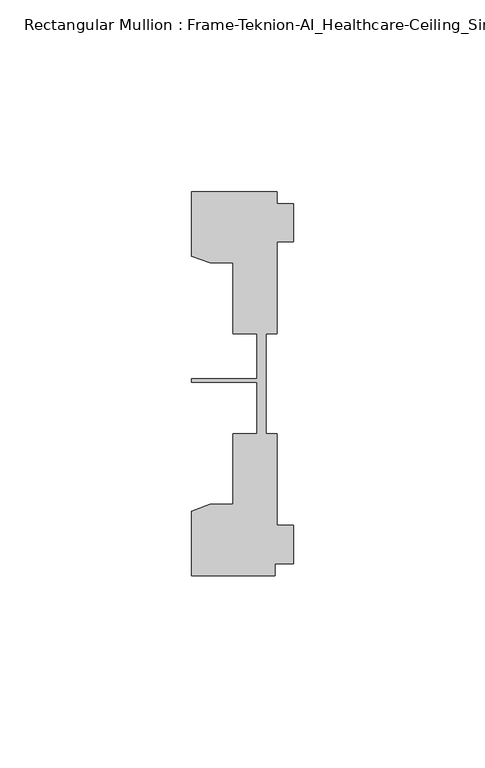
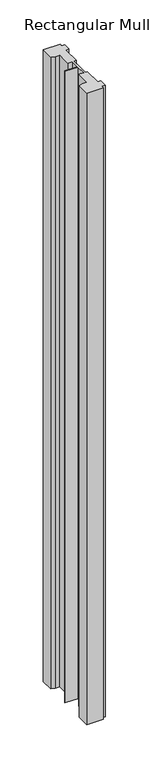
"""IFC4 building model written with IfcOpenShell, lengths in millimetres: member geometry, Rectangular Mullion : Frame-Teknion-AI_Healthcare-Ceiling_Single_Channel."""

from ifc_helpers import new_model, si_unit, frame, origin, place, context, project, spatial, polyline, outline, extrude, source, transform, mapped, element, save


def rectangular_mullion_frame_teknion_ai_healthcare_ceiling_9c9bf6fd(model_context):
    return source(origin(), model_context, "Body", "SweptSolid", [
        extrude(outline(polyline([(-26.4921999, -34.0201677), (-21.6625199, -32.2880982), (-15.6737764, -32.2880982), (-15.6737764, -13.9110722), (-9.4507761, -13.9110722), (-9.4507761, -0.4036528), (-26.4921999, -0.4036528), (-26.4921999, 0.4036528), (-9.4507761, 0.4036528), (-9.4507761, 12.2509301), (-15.6737764, 12.2509301), (-15.6737764, 30.6279561), (-21.6625199, 30.6279561), (-26.4921999, 32.3600207), (-26.4921999, 49.1699293), (-4.2672007, 49.1699293), (-4.2672007, 46.1219322), (0.0, 46.1219322), (0.0, 36.1219249), (-4.2672007, 36.1219249), (-4.2672007, 12.2509301), (-7.1647766, 12.2509301), (-7.1647766, -0.0814804), (-7.1647766, -13.9110722), (-4.2672007, -13.9110722), (-4.2672007, -37.7820716), (0.0, -37.7820716), (0.0, -47.782071), (-4.7752002, -47.782071), (-4.7752002, -50.8315128), (-26.4921999, -50.8315128), (-26.4921999, -34.0201677)])), frame((0.0, 0.0, -889.0), z_axis=(0.0, 0.0, 1.0), x_axis=(1.0, 0.0, 0.0)), (0.0, 0.0, 1.0), 889.0),
    ])


if __name__ == "__main__":
    model = new_model("IFC4")
    model_context = context("Model", 3, world=origin())
    ifc_project = project(units=[si_unit("LENGTHUNIT", "METRE", prefix="MILLI")], contexts=[model_context])
    site = spatial("IfcSite", under=ifc_project)
    building = spatial("IfcBuilding", under=site)
    placement = place(None, origin())
    rectangular_mullion_frame_teknion_ai_healthcare_ceiling_shape = rectangular_mullion_frame_teknion_ai_healthcare_ceiling_9c9bf6fd(model_context)
    element("IfcMember", 1, ObjectType="Rectangular Mullion : Frame-Teknion-AI_Healthcare-Ceiling_Single_Channel", at=placement, inside=building, context=model_context, shape_type="MappedRepresentation", body=[
        mapped(rectangular_mullion_frame_teknion_ai_healthcare_ceiling_shape, transform((0.0, 0.0, 0.0), x_axis=(1.0, 0.0, 0.0), y_axis=(0.0, 1.0, 0.0), z_axis=(0.0, 0.0, 1.0))),
    ])
    save(model, "model.ifc")
